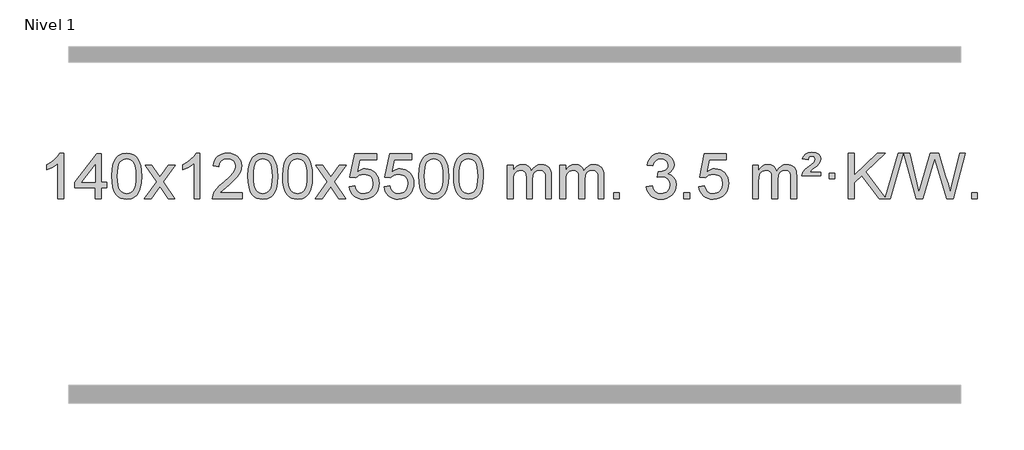
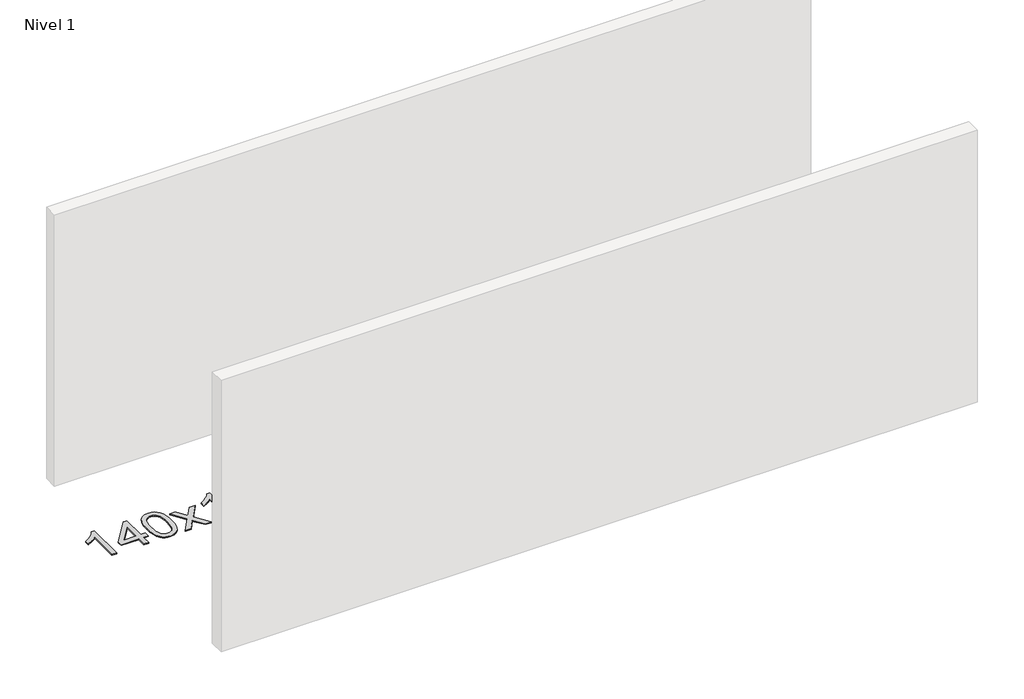
# One storey, part 4 of 7: 1 proxy.
"""IFC4 building model written with IfcOpenShell, lengths in millimetres."""

from ifc_helpers import new_model, si_unit, origin, origin_with_axes, place, context, project, spatial, polyline, outline, extrude, element, save

model = new_model("IFC4")

# Units and contexts
model_context = context("Model", 3, world=origin())
ifc_project = project(units=[si_unit("LENGTHUNIT", "METRE", prefix="MILLI")], contexts=[model_context])

# Site, building, storey
site = spatial("IfcSite", under=ifc_project)
building = spatial("IfcBuilding", under=site)
storey = spatial("IfcBuildingStorey", under=building, Name="Nivel 1", Elevation=0.0)

# Proxy
placement = place(None, origin())
element("IfcBuildingElementProxy", 1, Name="Texto de modelo 1", ObjectType="Texto de modelo 1", at=placement, inside=storey, context=model_context, shape_type="SweptSolid", body=[
    extrude(outline(polyline([(-275.4615788, -6395.579453), (-325.6897338, -6395.579453), (-325.6897338, -6082.4382987), (-346.6590076, -6099.3976587), (-373.2691385, -6116.3324932), (-426.146044, -6141.6918254), (-426.146044, -6094.2105225), (-386.6968314, -6072.7507395), (-352.520594, -6047.219729), (-325.5793692, -6020.0700378), (-307.8351943, -5993.7542124), (-275.4615788, -5993.7542124), (-275.4615788, -6395.579453)])), origin_with_axes(), (0.0, 0.0, 1.0), 10.0),
    extrude(outline(polyline([(7.0717935, -6395.579453), (7.0717935, -6301.4016622), (-175.0052686, -6301.4016622), (-175.0052686, -6251.1735072), (19.6288323, -6000.0327318), (57.2999486, -6000.0327318), (57.2999486, -6251.1735072), (107.5281037, -6251.1735072), (107.5281037, -6301.4016622), (57.2999486, -6301.4016622), (57.2999486, -6395.579453), (7.0717935, -6395.579453)]), holes=[polyline([(7.0717935, -6251.1735072), (7.0717935, -6095.9763561), (-113.2010934, -6251.1735072), (7.0717935, -6251.1735072)])]), origin_with_axes(), (0.0, 0.0, 1.0), 10.0),
    extrude(outline(polyline([(151.4777394, -6197.9041943), (155.1688221, -6133.5861588), (166.2420701, -6082.2911459), (184.5871189, -6043.2343407), (196.4451819, -6028.0009605), (210.0936039, -6015.6309284), (225.5783702, -6006.0598651), (242.9454661, -5999.2233914), (283.3266464, -5993.7542124), (314.277785, -5996.991574), (341.9915619, -6006.7036586), (365.1681276, -6022.5103217), (382.5076323, -6044.0314184), (395.6042314, -6071.0830078), (406.05208, -6103.4811488), (412.8946851, -6144.6226186), (415.1755535, -6197.9041943), (411.521259, -6261.8543477), (400.5583756, -6313.0267333), (382.3236913, -6352.1203266), (370.4932195, -6367.3996922), (356.8539945, -6379.8341036), (341.3508341, -6389.4695462), (323.928556, -6396.3520052), (283.3266464, -6401.8579724), (255.6619204, -6399.4667394), (231.1364541, -6392.2930405), (209.7502474, -6380.3368757), (191.5033004, -6363.5982449), (173.9921175, -6333.3399508), (161.4841296, -6295.6381776), (153.9793369, -6250.4929255), (151.4777394, -6197.9041943)]), holes=[polyline([(201.7058944, -6197.8060924), (203.1774224, -6241.4706195), (207.5920064, -6276.8148822), (214.9496463, -6303.8388804), (225.2503421, -6322.5426142), (237.709279, -6335.2682656), (251.5416421, -6344.3580165), (266.7474312, -6349.8118671), (283.3266464, -6351.6298173), (299.9058617, -6349.8057357), (315.1116508, -6344.3334911), (328.9440138, -6335.2130833), (341.4029507, -6322.4445124), (351.7036466, -6303.7101217), (359.0612865, -6276.6922549), (363.4758705, -6241.3909118), (364.9473984, -6197.8060924), (363.5249214, -6155.2973278), (359.2574902, -6120.5753989), (352.145105, -6093.6403055), (342.1877657, -6074.4920476), (329.9372952, -6061.1440625), (315.9455167, -6051.6097875), (300.21243, -6045.8892225), (282.7380352, -6043.9823675), (266.2446591, -6045.6623619), (251.2963874, -6050.7023452), (237.89322, -6059.1023175), (226.0351571, -6070.8622786), (215.3911047, -6091.708925), (207.7882101, -6119.8151094), (203.2264734, -6155.1808319), (201.7058944, -6197.8060924)])]), origin_with_axes(), (0.0, 0.0, 1.0), 10.0),
    extrude(outline(polyline([(440.2896311, -6395.579453), (547.6130718, -6247.2494325), (446.5681504, -6100.4890419), (506.9988995, -6100.4890419), (555.7555266, -6171.122385), (578.5151594, -6204.4770192), (598.2336343, -6177.2047007), (653.7592901, -6100.4890419), (714.1900392, -6100.4890419), (608.0438209, -6247.2494325), (710.2659646, -6395.579453), (649.8352155, -6395.579453), (588.3253459, -6306.4048574), (577.0436314, -6290.1199477), (500.7203801, -6395.579453), (440.2896311, -6395.579453)])), origin_with_axes(), (0.0, 0.0, 1.0), 10.0),
    extrude(outline(polyline([(930.014143, -6395.579453), (879.785988, -6395.579453), (879.785988, -6082.4382987), (858.8167142, -6099.3976587), (832.2065832, -6116.3324932), (779.3296778, -6141.6918254), (779.3296778, -6094.2105225), (818.7788904, -6072.7507395), (852.9551278, -6047.219729), (879.8963526, -6020.0700378), (897.6405275, -5993.7542124), (930.014143, -5993.7542124), (930.014143, -6395.579453)])), origin_with_axes(), (0.0, 0.0, 1.0), 10.0),
    extrude(outline(polyline([(1306.7253061, -6345.3512979), (1306.7253061, -6395.579453), (1043.0274919, -6395.579453), (1044.1311379, -6377.8965918), (1048.4230945, -6360.9494945), (1060.808455, -6333.8856424), (1078.9327747, -6307.6311307), (1105.1504982, -6280.1503456), (1141.8160704, -6249.4076736), (1196.017351, -6201.2641831), (1228.5381194, -6165.7267824), (1244.7985036, -6136.884834), (1250.2186316, -6108.8277005), (1245.1050719, -6083.6768347), (1229.7643927, -6062.7688747), (1206.1831568, -6048.6789943), (1176.347927, -6043.9823675), (1145.0166437, -6048.5686297), (1120.6751184, -6062.3274163), (1104.9665572, -6084.1796068), (1099.5341664, -6113.0460807), (1049.3060113, -6106.7675613), (1053.6255591, -6080.838012), (1061.4829054, -6058.1826125), (1072.8780502, -6038.8013627), (1087.8109935, -6022.6942627), (1105.9383788, -6010.0329907), (1126.9168496, -6000.989225), (1150.7464058, -5995.5629655), (1177.4270475, -5993.7542124), (1204.3468125, -5995.7653006), (1228.3051275, -6001.7985654), (1249.3019923, -6011.8540066), (1267.3374071, -6025.9316242), (1281.8227607, -6042.9890861), (1292.1694418, -6061.9840598), (1298.3774505, -6082.9165453), (1300.4467867, -6105.7865427), (1298.2149693, -6129.8092369), (1291.519517, -6153.4149983), (1279.6369285, -6177.4254299), (1261.8437027, -6202.6621347), (1233.4800009, -6232.7916701), (1189.8859844, -6271.4805933), (1132.1039857, -6319.795762), (1109.4424548, -6345.3512979), (1306.7253061, -6345.3512979)])), origin_with_axes(), (0.0, 0.0, 1.0), 10.0),
    extrude(outline(polyline([(1356.9534612, -6197.9041943), (1360.6445439, -6133.5861588), (1371.7177919, -6082.2911459), (1390.0628407, -6043.2343407), (1401.9209037, -6028.0009605), (1415.5693257, -6015.6309284), (1431.054092, -6006.0598651), (1448.4211879, -5999.2233914), (1488.8023682, -5993.7542124), (1519.7535068, -5996.991574), (1547.4672837, -6006.7036586), (1570.6438494, -6022.5103217), (1587.9833541, -6044.0314184), (1601.0799532, -6071.0830078), (1611.5278018, -6103.4811488), (1618.3704069, -6144.6226186), (1620.6512753, -6197.9041943), (1616.9969808, -6261.8543477), (1606.0340974, -6313.0267333), (1587.7994131, -6352.1203266), (1575.9689413, -6367.3996922), (1562.3297163, -6379.8341036), (1546.8265559, -6389.4695462), (1529.4042778, -6396.3520052), (1488.8023682, -6401.8579724), (1461.1376422, -6399.4667394), (1436.6121759, -6392.2930405), (1415.2259692, -6380.3368757), (1396.9790222, -6363.5982449), (1379.4678393, -6333.3399508), (1366.9598514, -6295.6381776), (1359.4550587, -6250.4929255), (1356.9534612, -6197.9041943)]), holes=[polyline([(1407.1816162, -6197.8060924), (1408.6531442, -6241.4706195), (1413.0677282, -6276.8148822), (1420.4253681, -6303.8388804), (1430.7260639, -6322.5426142), (1443.1850008, -6335.2682656), (1457.0173639, -6344.3580165), (1472.223153, -6349.8118671), (1488.8023682, -6351.6298173), (1505.3815835, -6349.8057357), (1520.5873726, -6344.3334911), (1534.4197356, -6335.2130833), (1546.8786725, -6322.4445124), (1557.1793684, -6303.7101217), (1564.5370083, -6276.6922549), (1568.9515923, -6241.3909118), (1570.4231202, -6197.8060924), (1569.0006432, -6155.2973278), (1564.733212, -6120.5753989), (1557.6208268, -6093.6403055), (1547.6634875, -6074.4920476), (1535.413017, -6061.1440625), (1521.4212385, -6051.6097875), (1505.6881518, -6045.8892225), (1488.213757, -6043.9823675), (1471.7203809, -6045.6623619), (1456.7721092, -6050.7023452), (1443.3689418, -6059.1023175), (1431.5108789, -6070.8622786), (1420.8668265, -6091.708925), (1413.2639319, -6119.8151094), (1408.7021952, -6155.1808319), (1407.1816162, -6197.8060924)])]), origin_with_axes(), (0.0, 0.0, 1.0), 10.0),
    extrude(outline(polyline([(1664.600911, -6197.9041943), (1668.2919937, -6133.5861588), (1679.3652417, -6082.2911459), (1697.7102906, -6043.2343407), (1709.5683535, -6028.0009605), (1723.2167756, -6015.6309284), (1738.7015419, -6006.0598651), (1756.0686377, -5999.2233914), (1796.4498181, -5993.7542124), (1827.4009566, -5996.991574), (1855.1147336, -6006.7036586), (1878.2912993, -6022.5103217), (1895.630804, -6044.0314184), (1908.727403, -6071.0830078), (1919.1752517, -6103.4811488), (1926.0178568, -6144.6226186), (1928.2987251, -6197.9041943), (1924.6444307, -6261.8543477), (1913.6815472, -6313.0267333), (1895.446863, -6352.1203266), (1883.6163911, -6367.3996922), (1869.9771662, -6379.8341036), (1854.4740058, -6389.4695462), (1837.0517276, -6396.3520052), (1796.4498181, -6401.8579724), (1768.785092, -6399.4667394), (1744.2596257, -6392.2930405), (1722.873419, -6380.3368757), (1704.6264721, -6363.5982449), (1687.1152891, -6333.3399508), (1674.6073013, -6295.6381776), (1667.1025086, -6250.4929255), (1664.600911, -6197.9041943)]), holes=[polyline([(1714.8290661, -6197.8060924), (1716.3005941, -6241.4706195), (1720.715178, -6276.8148822), (1728.0728179, -6303.8388804), (1738.3735138, -6322.5426142), (1750.8324507, -6335.2682656), (1764.6648137, -6344.3580165), (1779.8706028, -6349.8118671), (1796.4498181, -6351.6298173), (1813.0290333, -6349.8057357), (1828.2348225, -6344.3334911), (1842.0671855, -6335.2130833), (1854.5261224, -6322.4445124), (1864.8268182, -6303.7101217), (1872.1844581, -6276.6922549), (1876.5990421, -6241.3909118), (1878.0705701, -6197.8060924), (1876.648093, -6155.2973278), (1872.3806619, -6120.5753989), (1865.2682766, -6093.6403055), (1855.3109373, -6074.4920476), (1843.0604669, -6061.1440625), (1829.0686883, -6051.6097875), (1813.3356016, -6045.8892225), (1795.8612069, -6043.9823675), (1779.3678308, -6045.6623619), (1764.419559, -6050.7023452), (1751.0163917, -6059.1023175), (1739.1583287, -6070.8622786), (1728.5142763, -6091.708925), (1720.9113817, -6119.8151094), (1716.349645, -6155.1808319), (1714.8290661, -6197.8060924)])]), origin_with_axes(), (0.0, 0.0, 1.0), 10.0),
    extrude(outline(polyline([(1953.4128027, -6395.579453), (2060.7362434, -6247.2494325), (1959.6913221, -6100.4890419), (2020.1220711, -6100.4890419), (2068.8786982, -6171.122385), (2091.638331, -6204.4770192), (2111.3568059, -6177.2047007), (2166.8824617, -6100.4890419), (2227.3132108, -6100.4890419), (2121.1669925, -6247.2494325), (2223.3891362, -6395.579453), (2162.9583871, -6395.579453), (2101.4485175, -6306.4048574), (2090.166803, -6290.1199477), (2013.8435518, -6395.579453), (1953.4128027, -6395.579453)])), origin_with_axes(), (0.0, 0.0, 1.0), 10.0),
    extrude(outline(polyline([(2254.7817331, -6288.8446235), (2305.0098882, -6282.5661041), (2314.2314635, -6312.7201649), (2330.3201695, -6334.3148381), (2353.2024296, -6347.3010725), (2382.8046674, -6351.6298173), (2401.9345312, -6350.1245668), (2418.808052, -6345.6088153), (2433.42523, -6338.0825628), (2445.786065, -6327.5458094), (2455.6146457, -6314.519721), (2462.6350604, -6299.5254641), (2468.2513922, -6263.6324441), (2462.9906797, -6229.8363514), (2456.414789, -6215.9181493), (2447.2085421, -6203.9865099), (2435.341282, -6194.4154467), (2420.7823521, -6187.5789729), (2383.5894824, -6182.1097939), (2359.2234316, -6184.2925604), (2339.4926939, -6190.8408599), (2323.7350818, -6200.8717757), (2311.2884076, -6213.5023908), (2261.0602525, -6207.2238715), (2305.0098882, -6000.0327318), (2499.6439891, -6000.0327318), (2499.6439891, -6050.2608869), (2345.6240605, -6050.2608869), (2324.139752, -6160.919791), (2341.8655328, -6148.2155994), (2360.0205092, -6139.1411769), (2378.6046813, -6133.6965234), (2397.6180491, -6131.8816388), (2422.0791361, -6134.1318504), (2444.547529, -6140.882485), (2465.0232277, -6152.1335427), (2483.5062323, -6167.8850234), (2498.8070576, -6187.1743027), (2509.7362185, -6209.038756), (2516.2937151, -6233.4783832), (2518.4795473, -6260.4931844), (2516.5113786, -6286.5147042), (2510.6068726, -6310.7213394), (2500.7660292, -6333.1130902), (2486.9888485, -6353.6899565), (2466.1176766, -6374.7634634), (2441.7638885, -6389.8159684), (2413.9274842, -6398.8474714), (2382.6084637, -6401.8579724), (2356.6881115, -6399.9235262), (2333.2754882, -6394.1201877), (2312.3705938, -6384.447957), (2293.9734283, -6370.9068338), (2278.6664717, -6354.1712688), (2267.0322036, -6334.915712), (2259.0706241, -6313.1401636), (2254.7817331, -6288.8446235)])), origin_with_axes(), (0.0, 0.0, 1.0), 10.0),
    extrude(outline(polyline([(2562.429183, -6288.8446235), (2612.657338, -6282.5661041), (2621.8789134, -6312.7201649), (2637.9676193, -6334.3148381), (2660.8498794, -6347.3010725), (2690.4521173, -6351.6298173), (2709.581981, -6350.1245668), (2726.4555019, -6345.6088153), (2741.0726798, -6338.0825628), (2753.4335149, -6327.5458094), (2763.2620955, -6314.519721), (2770.2825102, -6299.5254641), (2775.898842, -6263.6324441), (2770.6381295, -6229.8363514), (2764.0622388, -6215.9181493), (2754.8559919, -6203.9865099), (2742.9887319, -6194.4154467), (2728.4298019, -6187.5789729), (2691.2369322, -6182.1097939), (2666.8708814, -6184.2925604), (2647.1401437, -6190.8408599), (2631.3825316, -6200.8717757), (2618.9358574, -6213.5023908), (2568.7077023, -6207.2238715), (2612.657338, -6000.0327318), (2807.291439, -6000.0327318), (2807.291439, -6050.2608869), (2653.2715103, -6050.2608869), (2631.7872018, -6160.919791), (2649.5129826, -6148.2155994), (2667.667959, -6139.1411769), (2686.2521312, -6133.6965234), (2705.265499, -6131.8816388), (2729.726586, -6134.1318504), (2752.1949788, -6140.882485), (2772.6706775, -6152.1335427), (2791.1536821, -6167.8850234), (2806.4545074, -6187.1743027), (2817.3836684, -6209.038756), (2823.9411649, -6233.4783832), (2826.1269971, -6260.4931844), (2824.1588284, -6286.5147042), (2818.2543224, -6310.7213394), (2808.413479, -6333.1130902), (2794.6362983, -6353.6899565), (2773.7651265, -6374.7634634), (2749.4113384, -6389.8159684), (2721.5749341, -6398.8474714), (2690.2559136, -6401.8579724), (2664.3355613, -6399.9235262), (2640.922938, -6394.1201877), (2620.0180436, -6384.447957), (2601.6208782, -6370.9068338), (2586.3139215, -6354.1712688), (2574.6796534, -6334.915712), (2566.7180739, -6313.1401636), (2562.429183, -6288.8446235)])), origin_with_axes(), (0.0, 0.0, 1.0), 10.0),
    extrude(outline(polyline([(2870.0766328, -6197.9041943), (2873.7677155, -6133.5861588), (2884.8409635, -6082.2911459), (2903.1860124, -6043.2343407), (2915.0440753, -6028.0009605), (2928.6924974, -6015.6309284), (2944.1772637, -6006.0598651), (2961.5443595, -5999.2233914), (3001.9255399, -5993.7542124), (3032.8766784, -5996.991574), (3060.5904554, -6006.7036586), (3083.7670211, -6022.5103217), (3101.1065258, -6044.0314184), (3114.2031248, -6071.0830078), (3124.6509735, -6103.4811488), (3131.4935786, -6144.6226186), (3133.7744469, -6197.9041943), (3130.1201525, -6261.8543477), (3119.157269, -6313.0267333), (3100.9225848, -6352.1203266), (3089.0921129, -6367.3996922), (3075.452888, -6379.8341036), (3059.9497276, -6389.4695462), (3042.5274494, -6396.3520052), (3001.9255399, -6401.8579724), (2974.2608138, -6399.4667394), (2949.7353475, -6392.2930405), (2928.3491408, -6380.3368757), (2910.1021939, -6363.5982449), (2892.5910109, -6333.3399508), (2880.0830231, -6295.6381776), (2872.5782304, -6250.4929255), (2870.0766328, -6197.9041943)]), holes=[polyline([(2920.3047879, -6197.8060924), (2921.7763158, -6241.4706195), (2926.1908998, -6276.8148822), (2933.5485397, -6303.8388804), (2943.8492356, -6322.5426142), (2956.3081725, -6335.2682656), (2970.1405355, -6344.3580165), (2985.3463246, -6349.8118671), (3001.9255399, -6351.6298173), (3018.5047551, -6349.8057357), (3033.7105442, -6344.3334911), (3047.5429073, -6335.2130833), (3060.0018442, -6322.4445124), (3070.30254, -6303.7101217), (3077.6601799, -6276.6922549), (3082.0747639, -6241.3909118), (3083.5462919, -6197.8060924), (3082.1238148, -6155.2973278), (3077.8563837, -6120.5753989), (3070.7439984, -6093.6403055), (3060.7866591, -6074.4920476), (3048.5361887, -6061.1440625), (3034.5444101, -6051.6097875), (3018.8113234, -6045.8892225), (3001.3369287, -6043.9823675), (2984.8435526, -6045.6623619), (2969.8952808, -6050.7023452), (2956.4921135, -6059.1023175), (2944.6340505, -6070.8622786), (2933.9899981, -6091.708925), (2926.3871035, -6119.8151094), (2921.8253668, -6155.1808319), (2920.3047879, -6197.8060924)])]), origin_with_axes(), (0.0, 0.0, 1.0), 10.0),
    extrude(outline(polyline([(3177.7240826, -6197.9041943), (3181.4151653, -6133.5861588), (3192.4884134, -6082.2911459), (3210.8334622, -6043.2343407), (3222.6915252, -6028.0009605), (3236.3399472, -6015.6309284), (3251.8247135, -6006.0598651), (3269.1918094, -5999.2233914), (3309.5729897, -5993.7542124), (3340.5241282, -5996.991574), (3368.2379052, -6006.7036586), (3391.4144709, -6022.5103217), (3408.7539756, -6044.0314184), (3421.8505746, -6071.0830078), (3432.2984233, -6103.4811488), (3439.1410284, -6144.6226186), (3441.4218968, -6197.9041943), (3437.7676023, -6261.8543477), (3426.8047188, -6313.0267333), (3408.5700346, -6352.1203266), (3396.7395628, -6367.3996922), (3383.1003378, -6379.8341036), (3367.5971774, -6389.4695462), (3350.1748992, -6396.3520052), (3309.5729897, -6401.8579724), (3281.9082637, -6399.4667394), (3257.3827973, -6392.2930405), (3235.9965907, -6380.3368757), (3217.7496437, -6363.5982449), (3200.2384607, -6333.3399508), (3187.7304729, -6295.6381776), (3180.2256802, -6250.4929255), (3177.7240826, -6197.9041943)]), holes=[polyline([(3227.9522377, -6197.8060924), (3229.4237657, -6241.4706195), (3233.8383496, -6276.8148822), (3241.1959895, -6303.8388804), (3251.4966854, -6322.5426142), (3263.9556223, -6335.2682656), (3277.7879853, -6344.3580165), (3292.9937744, -6349.8118671), (3309.5729897, -6351.6298173), (3326.1522049, -6349.8057357), (3341.3579941, -6344.3334911), (3355.1903571, -6335.2130833), (3367.649294, -6322.4445124), (3377.9499899, -6303.7101217), (3385.3076298, -6276.6922549), (3389.7222137, -6241.3909118), (3391.1937417, -6197.8060924), (3389.7712646, -6155.2973278), (3385.5038335, -6120.5753989), (3378.3914483, -6093.6403055), (3368.4341089, -6074.4920476), (3356.1836385, -6061.1440625), (3342.1918599, -6051.6097875), (3326.4587733, -6045.8892225), (3308.9843785, -6043.9823675), (3292.4910024, -6045.6623619), (3277.5427307, -6050.7023452), (3264.1395633, -6059.1023175), (3252.2815003, -6070.8622786), (3241.6374479, -6091.708925), (3234.0345534, -6119.8151094), (3229.4728166, -6155.1808319), (3227.9522377, -6197.8060924)])]), origin_with_axes(), (0.0, 0.0, 1.0), 10.0),
    extrude(outline(polyline([(3654.8915558, -6395.579453), (3654.8915558, -6100.4890419), (3705.1197109, -6100.4890419), (3705.1197109, -6149.0494653), (3720.2273982, -6126.7435537), (3739.6515675, -6109.2691589), (3762.7300314, -6097.9751816), (3788.8006021, -6094.2105225), (3816.7351082, -6098.048758), (3839.126859, -6109.5634645), (3855.8532271, -6127.9943524), (3866.7915851, -6152.5811324), (3885.0998457, -6127.0439906), (3905.9832803, -6108.803175), (3929.4418888, -6097.8586857), (3955.4756714, -6094.2105225), (3975.5834881, -6095.7280358), (3993.2326268, -6100.2805755), (4008.4230875, -6107.8681416), (4021.1548702, -6118.4907342), (4031.2195085, -6132.2709806), (4038.4085358, -6149.3315082), (4042.7219522, -6169.6723168), (4044.1597577, -6193.2934066), (4044.1597577, -6395.579453), (3993.9316026, -6395.579453), (3993.9316026, -6214.875817), (3992.7666429, -6189.8230531), (3989.271764, -6172.9372695), (3982.7234645, -6161.3735121), (3972.3982431, -6152.2868268), (3959.1177031, -6146.4007149), (3943.7034475, -6144.4386776), (3916.4924426, -6149.4663982), (3894.3091583, -6164.54956), (3885.7037853, -6176.1194488), (3879.5570903, -6190.7182326), (3874.6397343, -6229.0024856), (3874.6397343, -6395.579453), (3824.4115792, -6395.579453), (3824.4115792, -6209.2840106), (3821.5053115, -6180.8835206), (3812.7865082, -6160.6254854), (3797.445829, -6148.4853796), (3774.6739335, -6144.4386776), (3755.3233405, -6147.1364789), (3737.4933265, -6155.2298828), (3722.7780467, -6168.5226856), (3712.7716564, -6186.8186835), (3707.0326973, -6212.2025411), (3705.1197109, -6246.7589232), (3705.1197109, -6395.579453), (3654.8915558, -6395.579453)])), origin_with_axes(), (0.0, 0.0, 1.0), 10.0),
    extrude(outline(polyline([(4119.5019903, -6395.579453), (4119.5019903, -6100.4890419), (4169.7301454, -6100.4890419), (4169.7301454, -6149.0494653), (4184.8378326, -6126.7435537), (4204.262002, -6109.2691589), (4227.3404658, -6097.9751816), (4253.4110365, -6094.2105225), (4281.3455427, -6098.048758), (4303.7372935, -6109.5634645), (4320.4636615, -6127.9943524), (4331.4020195, -6152.5811324), (4349.7102801, -6127.0439906), (4370.5937147, -6108.803175), (4394.0523233, -6097.8586857), (4420.0861058, -6094.2105225), (4440.1939225, -6095.7280358), (4457.8430612, -6100.2805755), (4473.033522, -6107.8681416), (4485.7653047, -6118.4907342), (4495.8299429, -6132.2709806), (4503.0189703, -6149.3315082), (4507.3323866, -6169.6723168), (4508.7701921, -6193.2934066), (4508.7701921, -6395.579453), (4458.542037, -6395.579453), (4458.542037, -6214.875817), (4457.3770774, -6189.8230531), (4453.8821984, -6172.9372695), (4447.3338989, -6161.3735121), (4437.0086776, -6152.2868268), (4423.7281376, -6146.4007149), (4408.313882, -6144.4386776), (4381.1028771, -6149.4663982), (4358.9195927, -6164.54956), (4350.3142197, -6176.1194488), (4344.1675247, -6190.7182326), (4339.2501687, -6229.0024856), (4339.2501687, -6395.579453), (4289.0220137, -6395.579453), (4289.0220137, -6209.2840106), (4286.1157459, -6180.8835206), (4277.3969426, -6160.6254854), (4262.0562634, -6148.4853796), (4239.2843679, -6144.4386776), (4219.933775, -6147.1364789), (4202.1037609, -6155.2298828), (4187.3884811, -6168.5226856), (4177.3820909, -6186.8186835), (4171.6431317, -6212.2025411), (4169.7301454, -6246.7589232), (4169.7301454, -6395.579453), (4119.5019903, -6395.579453)])), origin_with_axes(), (0.0, 0.0, 1.0), 10.0),
    extrude(outline(polyline([(4596.6694635, -6395.579453), (4596.6694635, -6345.3512979), (4646.8976186, -6345.3512979), (4646.8976186, -6395.579453), (4596.6694635, -6395.579453)])), origin_with_axes(), (0.0, 0.0, 1.0), 10.0),
    extrude(outline(polyline([(4885.4813552, -6288.8446235), (4935.7095102, -6282.5661041), (4946.9544366, -6314.1303793), (4963.4232872, -6335.4430095), (4985.9254026, -6347.5831154), (5015.2701231, -6351.6298173), (5049.7038778, -6346.0625364), (5063.9776992, -6339.1034354), (5076.2894833, -6329.3606939), (5093.2856315, -6304.4428201), (5098.9510142, -6274.2274455), (5093.3346824, -6245.5449126), (5076.4856871, -6222.2825078), (5050.9792021, -6206.8682522), (5019.3904014, -6201.730167), (4984.1718317, -6207.2238715), (4989.7636381, -6156.9957164), (4997.807991, -6157.5843276), (5027.9007382, -6153.979084), (5054.8051748, -6143.1633534), (5065.8784229, -6134.9841103), (5073.7878858, -6124.8673555), (5078.5335635, -6112.8130888), (5080.1154561, -6098.8213102), (5075.5291939, -6077.1285352), (5061.7704073, -6059.5315131), (5040.7766081, -6047.8696539), (5014.4853081, -6043.9823675), (4988.1449573, -6047.9064421), (4966.6115978, -6059.6786659), (4950.8907739, -6079.299039), (4941.9880296, -6106.7675613), (4891.7598746, -6100.4890419), (4897.7134315, -6076.5092672), (4906.5487308, -6055.3867093), (4918.2657723, -6037.1213683), (4932.8645561, -6021.713244), (4949.8852298, -6009.4811677), (4968.8679407, -6000.7439703), (4989.812689, -5995.5016519), (5012.7194746, -5993.7542124), (5044.2960125, -5997.2000404), (5073.2973764, -6007.5375245), (5097.7492664, -6023.8469596), (5115.6773823, -6045.2086408), (5126.6770539, -6069.8199463), (5130.3436112, -6095.8782543), (5126.8609949, -6120.1584659), (5116.4131463, -6142.1823347), (5099.147218, -6160.9443165), (5075.2103628, -6175.4388671), (5106.6520107, -6188.1430586), (5129.9512037, -6209.77452), (5144.3721779, -6239.1560286), (5149.1791693, -6275.1103623), (5146.7756736, -6300.5923218), (5139.5651865, -6324.0631931), (5127.547708, -6345.5229762), (5110.7232381, -6364.971671), (5090.2260796, -6381.1094278), (5067.1905353, -6392.636397), (5041.6166053, -6399.5525785), (5013.5042895, -6401.8579724), (4988.0959064, -6399.8898037), (4964.9438661, -6393.9852977), (4944.0481688, -6384.1444543), (4925.4088144, -6370.3672736), (4909.779961, -6353.4630959), (4897.9157666, -6334.2412617), (4889.8162313, -6312.7017708), (4885.4813552, -6288.8446235)])), origin_with_axes(), (0.0, 0.0, 1.0), 10.0),
    extrude(outline(polyline([(5218.2428825, -6395.579453), (5218.2428825, -6345.3512979), (5268.4710376, -6345.3512979), (5268.4710376, -6395.579453), (5218.2428825, -6395.579453)])), origin_with_axes(), (0.0, 0.0, 1.0), 10.0),
    extrude(outline(polyline([(5350.0917896, -6288.8446235), (5400.3199447, -6282.5661041), (5409.54152, -6312.7201649), (5425.630226, -6334.3148381), (5448.5124861, -6347.3010725), (5478.1147239, -6351.6298173), (5497.2445877, -6350.1245668), (5514.1181085, -6345.6088153), (5528.7352865, -6338.0825628), (5541.0961215, -6327.5458094), (5550.9247021, -6314.519721), (5557.9451169, -6299.5254641), (5563.5614487, -6263.6324441), (5558.3007361, -6229.8363514), (5551.7248455, -6215.9181493), (5542.5185986, -6203.9865099), (5530.6513385, -6194.4154467), (5516.0924086, -6187.5789729), (5478.8995389, -6182.1097939), (5454.533488, -6184.2925604), (5434.8027504, -6190.8408599), (5419.0451382, -6200.8717757), (5406.5984641, -6213.5023908), (5356.370309, -6207.2238715), (5400.3199447, -6000.0327318), (5594.9540456, -6000.0327318), (5594.9540456, -6050.2608869), (5440.934117, -6050.2608869), (5419.4498084, -6160.919791), (5437.1755892, -6148.2155994), (5455.3305657, -6139.1411769), (5473.9147378, -6133.6965234), (5492.9281056, -6131.8816388), (5517.3891926, -6134.1318504), (5539.8575855, -6140.882485), (5560.3332842, -6152.1335427), (5578.8162887, -6167.8850234), (5594.1171141, -6187.1743027), (5605.046275, -6209.038756), (5611.6037716, -6233.4783832), (5613.7896038, -6260.4931844), (5611.8214351, -6286.5147042), (5605.9169291, -6310.7213394), (5596.0760857, -6333.1130902), (5582.298905, -6353.6899565), (5561.4277331, -6374.7634634), (5537.073945, -6389.8159684), (5509.2375407, -6398.8474714), (5477.9185202, -6401.8579724), (5451.998168, -6399.9235262), (5428.5855447, -6394.1201877), (5407.6806503, -6384.447957), (5389.2834848, -6370.9068338), (5373.9765281, -6354.1712688), (5362.3422601, -6334.915712), (5354.3806805, -6313.1401636), (5350.0917896, -6288.8446235)])), origin_with_axes(), (0.0, 0.0, 1.0), 10.0),
    extrude(outline(polyline([(5827.2592628, -6395.579453), (5827.2592628, -6100.4890419), (5877.4874179, -6100.4890419), (5877.4874179, -6149.0494653), (5892.5951052, -6126.7435537), (5912.0192745, -6109.2691589), (5935.0977383, -6097.9751816), (5961.1683091, -6094.2105225), (5989.1028152, -6098.048758), (6011.494566, -6109.5634645), (6028.2209341, -6127.9943524), (6039.159292, -6152.5811324), (6057.4675527, -6127.0439906), (6078.3509873, -6108.803175), (6101.8095958, -6097.8586857), (6127.8433783, -6094.2105225), (6147.9511951, -6095.7280358), (6165.6003338, -6100.2805755), (6180.7907945, -6107.8681416), (6193.5225772, -6118.4907342), (6203.5872155, -6132.2709806), (6210.7762428, -6149.3315082), (6215.0896592, -6169.6723168), (6216.5274647, -6193.2934066), (6216.5274647, -6395.579453), (6166.2993096, -6395.579453), (6166.2993096, -6214.875817), (6165.1343499, -6189.8230531), (6161.639471, -6172.9372695), (6155.0911715, -6161.3735121), (6144.7659501, -6152.2868268), (6131.4854101, -6146.4007149), (6116.0711545, -6144.4386776), (6088.8601496, -6149.4663982), (6066.6768653, -6164.54956), (6058.0714923, -6176.1194488), (6051.9247973, -6190.7182326), (6047.0074413, -6229.0024856), (6047.0074413, -6395.579453), (5996.7792862, -6395.579453), (5996.7792862, -6209.2840106), (5993.8730184, -6180.8835206), (5985.1542152, -6160.6254854), (5969.813536, -6148.4853796), (5947.0416405, -6144.4386776), (5927.6910475, -6147.1364789), (5909.8610335, -6155.2298828), (5895.1457537, -6168.5226856), (5885.1393634, -6186.8186835), (5879.4004043, -6212.2025411), (5877.4874179, -6246.7589232), (5877.4874179, -6395.579453), (5827.2592628, -6395.579453)])), origin_with_axes(), (0.0, 0.0, 1.0), 10.0),
    extrude(outline(polyline([(6260.4771003, -6194.6668327), (6264.3030731, -6178.8479069), (6272.6417317, -6162.9799302), (6294.1505656, -6137.8413272), (6326.1072483, -6110.1030247), (6370.2530877, -6072.726214), (6377.3899984, -6061.1992448), (6379.7689686, -6049.3779701), (6377.8805077, -6037.2869152), (6372.215125, -6027.5012541), (6362.8463969, -6021.026531), (6349.8478997, -6018.8682899), (6337.4134883, -6020.4869707), (6328.5597949, -6025.343013), (6322.1341227, -6034.8098431), (6316.9837748, -6050.2608869), (6266.7556197, -6043.9823675), (6277.5958759, -6018.7701881), (6294.224142, -6001.2099542), (6317.9893189, -5990.9092583), (6350.2403072, -5987.475693), (6386.0229626, -5991.6082341), (6410.7691581, -6004.0058573), (6425.1901323, -6022.3386434), (6429.9971237, -6044.2766731), (6425.9013708, -6067.1834586), (6413.6141122, -6088.8149199), (6393.0862969, -6108.6314968), (6356.6169284, -6136.6886303), (6331.0123416, -6163.2742358), (6429.9971237, -6163.2742358), (6429.9971237, -6194.6668327), (6260.4771003, -6194.6668327)])), origin_with_axes(), (0.0, 0.0, 1.0), 10.0),
    extrude(outline(polyline([(6505.3393563, -6219.7809102), (6505.3393563, -6169.5527552), (6555.5675114, -6169.5527552), (6555.5675114, -6219.7809102), (6505.3393563, -6219.7809102)])), origin_with_axes(), (0.0, 0.0, 1.0), 10.0),
    extrude(outline(polyline([(6946.2091394, -6395.579453), (6792.7778219, -6192.9009991), (6725.0875348, -6257.4520265), (6725.0875348, -6395.579453), (6674.8593797, -6395.579453), (6674.8593797, -5993.7542124), (6725.0875348, -5993.7542124), (6725.0875348, -6190.4484525), (6931.1014521, -5993.7542124), (7001.3423877, -5993.7542124), (6828.388799, -6158.9577537), (7003.0424089, -6389.5349332), (7114.3557366, -5993.7542124), (7159.6787984, -5993.7542124), (7046.6654495, -6395.579453), (7007.6209071, -6395.579453), (7001.3423877, -6395.579453), (6946.2091394, -6395.579453)])), origin_with_axes(), (0.0, 0.0, 1.0), 10.0),
    extrude(outline(polyline([(7274.1636753, -6395.579453), (7164.5838917, -5993.7542124), (7216.3816766, -5993.7542124), (7279.9516854, -6257.844434), (7299.5720585, -6339.3670841), (7320.5658576, -6267.2622131), (7400.2245723, -5993.7542124), (7474.8800919, -5993.7542124), (7532.7601925, -6192.0180823), (7557.5554389, -6265.5944814), (7575.8269114, -6339.3670841), (7594.8586732, -6260.1988788), (7659.0172932, -5993.7542124), (7710.8150781, -5993.7542124), (7601.1371926, -6395.579453), (7547.4754723, -6395.579453), (7451.1394405, -6085.5775584), (7437.6994849, -6042.3146358), (7422.5917976, -6094.4067263), (7334.7906281, -6395.579453), (7274.1636753, -6395.579453)])), origin_with_axes(), (0.0, 0.0, 1.0), 10.0),
    extrude(outline(polyline([(7767.3217526, -6395.579453), (7767.3217526, -6345.3512979), (7817.5499077, -6345.3512979), (7817.5499077, -6395.579453), (7767.3217526, -6395.579453)])), origin_with_axes(), (0.0, 0.0, 1.0), 10.0),
])

save(model, "model.ifc")
